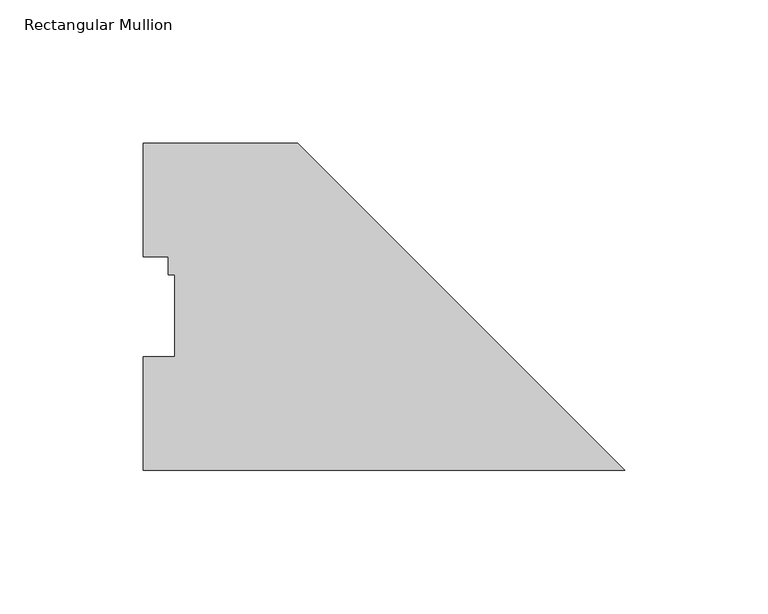
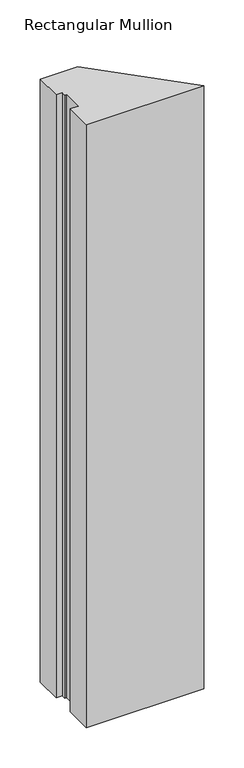
"""IFC4 building model written with IfcOpenShell, lengths in millimetres: member geometry, Rectangular Mullion."""

from ifc_helpers import new_model, si_unit, frame, origin, place, context, project, spatial, polyline, outline, extrude, source, transform, mapped, element, save


def rectangular_mullion_7c93dad8(model_context):
    return source(origin(), model_context, "Body", "SweptSolid", [
        extrude(outline(polyline([(0.0, -0.028575), (-168.275, -0.028575), (-168.275, 39.646225), (-157.1625, 39.646225), (-157.1625, 68.246625), (-159.5374, 68.246625), (-159.5374, 74.596625), (-168.275, 74.596625), (-168.275, 114.271425), (-114.3, 114.271425), (0.0, -0.028575)])), frame((0.0, 0.0, -914.4), z_axis=(0.0, 0.0, 1.0), x_axis=(1.0, 0.0, 0.0)), (0.0, 0.0, 1.0), 914.4),
    ])


if __name__ == "__main__":
    model = new_model("IFC4")
    model_context = context("Model", 3, world=origin())
    ifc_project = project(units=[si_unit("LENGTHUNIT", "METRE", prefix="MILLI")], contexts=[model_context])
    site = spatial("IfcSite", under=ifc_project)
    building = spatial("IfcBuilding", under=site)
    placement = place(None, origin())
    rectangular_mullion_shape = rectangular_mullion_7c93dad8(model_context)
    element("IfcMember", 1, ObjectType="Rectangular Mullion", at=placement, inside=building, context=model_context, shape_type="MappedRepresentation", body=[
        mapped(rectangular_mullion_shape, transform((0.0, 0.0, 0.0), x_axis=(1.0, 0.0, 0.0), y_axis=(0.0, 1.0, 0.0), z_axis=(0.0, 0.0, 1.0))),
    ])
    save(model, "model.ifc")
